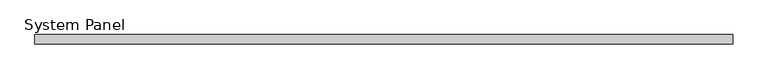
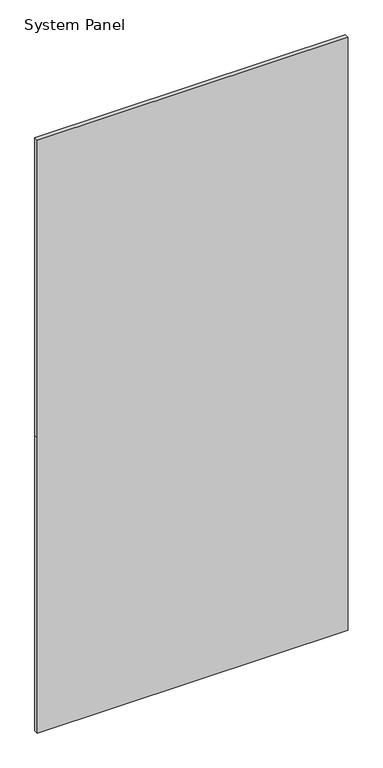
"""IFC4 building model written with IfcOpenShell, lengths in millimetres: plate geometry, System Panel."""

from ifc_helpers import new_model, si_unit, frame, origin, place, context, project, spatial, polyline, outline, extrude, source, transform, mapped, element, save


def system_panel_37b432e7(model_context):
    return source(origin(), model_context, "Body", "SweptSolid", [
        extrude(outline(polyline([(0.0, -595.0), (0.0, 595.0), (1195.0, 595.0), (2400.0, 595.0), (2400.0, -595.0), (1195.0, -595.0), (0.0, -595.0)])), frame((0.0, -8.0, 0.0), z_axis=(0.0, 1.0, 0.0), x_axis=(0.0, 0.0, 1.0)), (0.0, 0.0, 1.0), 16.0),
    ])


if __name__ == "__main__":
    model = new_model("IFC4")
    model_context = context("Model", 3, world=origin())
    ifc_project = project(units=[si_unit("LENGTHUNIT", "METRE", prefix="MILLI")], contexts=[model_context])
    site = spatial("IfcSite", under=ifc_project)
    building = spatial("IfcBuilding", under=site)
    placement = place(None, origin())
    system_panel_shape = system_panel_37b432e7(model_context)
    element("IfcPlate", 1, ObjectType="System Panel", at=placement, inside=building, context=model_context, shape_type="MappedRepresentation", body=[
        mapped(system_panel_shape, transform((0.0, 0.0, 0.0), x_axis=(1.0, 0.0, 0.0), y_axis=(0.0, 1.0, 0.0), z_axis=(0.0, 0.0, 1.0))),
    ])
    save(model, "model.ifc")
